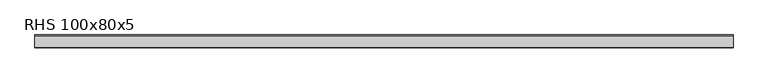
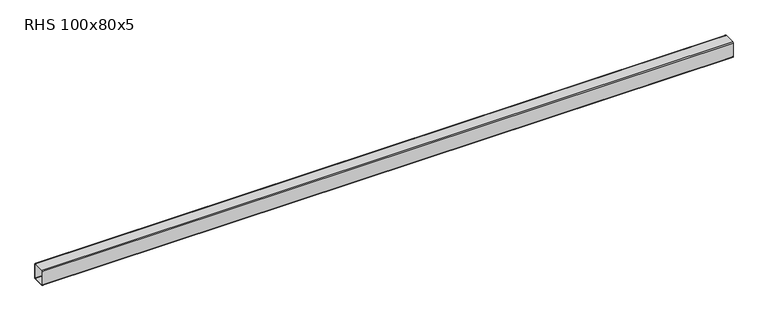
"""IFC4 building model written with IfcOpenShell, lengths in millimetres: beam geometry, RHS 100x80x5."""

from ifc_helpers import new_model, si_unit, point, frame, frame_2d, origin, place, context, project, spatial, polyline, circle_curve, trimmed, segment, composite_curve, outline, extrude, source, transform, mapped, element, save


def rhs_100x80x5_0f053665(model_context):
    return source(origin(), model_context, "Body", "SweptSolid", [
        extrude(outline(composite_curve([segment(polyline([(40.0, 45.0), (40.0, -45.0)]), True, "CONTINUOUS"), segment(trimmed(circle_curve(frame_2d((35.0, -45.0)), 5.0), [point((40.0, -45.0))], [point((35.0, -50.0))], False, "CARTESIAN"), True, "CONTINUOUS"), segment(polyline([(35.0, -50.0), (-35.0, -50.0)]), True, "CONTINUOUS"), segment(trimmed(circle_curve(frame_2d((-35.0, -45.0)), 5.0), [point((-35.0, -50.0))], [point((-40.0, -45.0))], False, "CARTESIAN"), True, "CONTINUOUS"), segment(polyline([(-40.0, -45.0), (-40.0, 45.0)]), True, "CONTINUOUS"), segment(trimmed(circle_curve(frame_2d((-35.0, 45.0)), 5.0), [point((-40.0, 45.0))], [point((-35.0, 50.0))], False, "CARTESIAN"), True, "CONTINUOUS"), segment(polyline([(-35.0, 50.0), (35.0, 50.0)]), True, "CONTINUOUS"), segment(trimmed(circle_curve(frame_2d((35.0, 45.0)), 5.0), [point((35.0, 50.0))], [point((40.0, 45.0))], False, "CARTESIAN"), True, "CONTINUOUS")], self_intersect=False), holes=[composite_curve([segment(trimmed(circle_curve(frame_2d((-35.0, 45.0)), 2.5), [point((-35.0, 47.5))], [point((-37.5, 45.0))], True, "CARTESIAN"), True, "CONTINUOUS"), segment(polyline([(-37.5, 45.0), (-37.5, -45.0)]), True, "CONTINUOUS"), segment(trimmed(circle_curve(frame_2d((-35.0, -45.0)), 2.5), [point((-37.5, -45.0))], [point((-35.0, -47.5))], True, "CARTESIAN"), True, "CONTINUOUS"), segment(polyline([(-35.0, -47.5), (35.0, -47.5)]), True, "CONTINUOUS"), segment(trimmed(circle_curve(frame_2d((35.0, -45.0)), 2.5), [point((35.0, -47.5))], [point((37.5, -45.0))], True, "CARTESIAN"), True, "CONTINUOUS"), segment(polyline([(37.5, -45.0), (37.5, 45.0)]), True, "CONTINUOUS"), segment(trimmed(circle_curve(frame_2d((35.0, 45.0)), 2.5), [point((37.5, 45.0))], [point((35.0, 47.5))], True, "CARTESIAN"), True, "CONTINUOUS"), segment(polyline([(35.0, 47.5), (-35.0, 47.5)]), True, "CONTINUOUS")], self_intersect=False)]), frame((-2151.9472748, 0.0, 0.0), z_axis=(1.0, 0.0, 0.0), x_axis=(0.0, 1.0, 0.0)), (0.0, 0.0, 1.0), 4303.8944451),
    ])


if __name__ == "__main__":
    model = new_model("IFC4")
    model_context = context("Model", 3, world=origin())
    ifc_project = project(units=[si_unit("LENGTHUNIT", "METRE", prefix="MILLI")], contexts=[model_context])
    site = spatial("IfcSite", under=ifc_project)
    building = spatial("IfcBuilding", under=site)
    placement = place(None, origin())
    rhs_100x80x5_shape = rhs_100x80x5_0f053665(model_context)
    element("IfcBeam", 1, ObjectType="RHS 100x80x5", at=placement, inside=building, context=model_context, shape_type="MappedRepresentation", body=[
        mapped(rhs_100x80x5_shape, transform((0.0, 0.0, 0.0), x_axis=(1.0, 0.0, 0.0), y_axis=(0.0, 1.0, 0.0), z_axis=(0.0, 0.0, 1.0))),
    ])
    save(model, "model.ifc")
